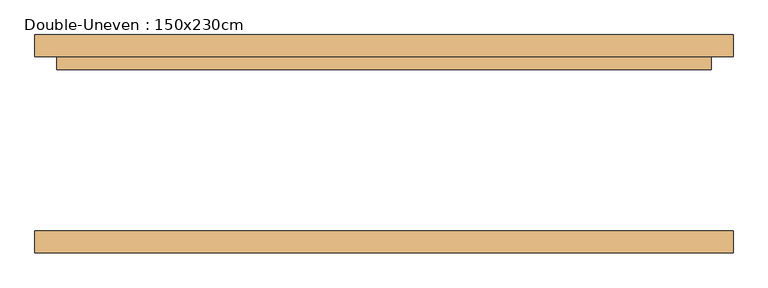
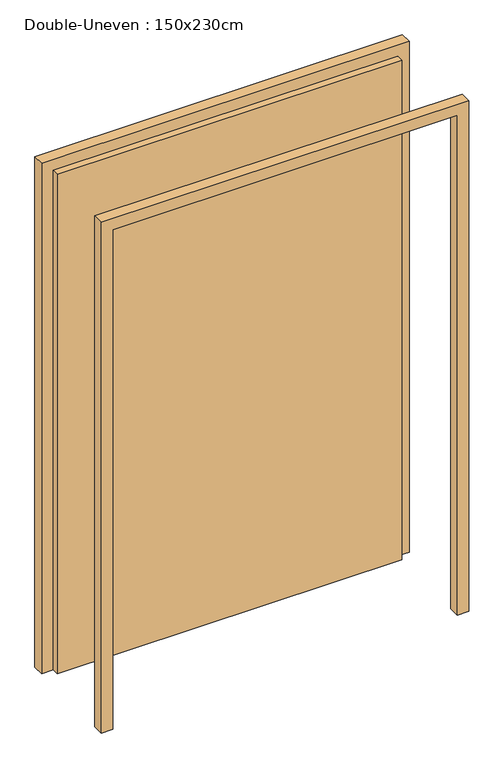
"""IFC4 building model written with IfcOpenShell, lengths in millimetres: door geometry, Double-Uneven : 150x230cm."""

from ifc_helpers import new_model, si_unit, frame, origin, origin_with_axes, place, context, project, spatial, polyline, outline, extrude, source, transform, mapped, element, save


def double_uneven_150x230cm_b8dc9444(model_context):
    return source(origin(), model_context, "Body", "SweptSolid", [
        extrude(outline(polyline([(101.6, 200.0), (101.6, 170.0), (-1398.4, 170.0), (-1398.4, 200.0), (101.6, 200.0)])), origin_with_axes(), (0.0, 0.0, 1.0), 2300.0),
        extrude(outline(polyline([(2300.0, -1398.4), (2300.0, 101.6), (0.0, 101.6), (0.0, 151.6), (2350.0, 151.6), (2350.0, -1448.4), (0.0, -1448.4), (0.0, -1398.4), (2300.0, -1398.4)])), frame((0.0, -250.0, 0.0), z_axis=(0.0, 1.0, 0.0), x_axis=(0.0, 0.0, 1.0)), (0.0, 0.0, 1.0), 50.0),
        extrude(outline(polyline([(2300.0, -1398.4), (2300.0, 101.6), (0.0, 101.6), (0.0, 151.6), (2350.0, 151.6), (2350.0, -1448.4), (0.0, -1448.4), (0.0, -1398.4), (2300.0, -1398.4)])), frame((0.0, 200.0, 0.0), z_axis=(0.0, 1.0, 0.0), x_axis=(0.0, 0.0, 1.0)), (0.0, 0.0, 1.0), 50.0),
    ])


if __name__ == "__main__":
    model = new_model("IFC4")
    model_context = context("Model", 3, world=origin())
    ifc_project = project(units=[si_unit("LENGTHUNIT", "METRE", prefix="MILLI")], contexts=[model_context])
    site = spatial("IfcSite", under=ifc_project)
    building = spatial("IfcBuilding", under=site)
    placement = place(None, origin())
    double_uneven_150x230cm_shape = double_uneven_150x230cm_b8dc9444(model_context)
    element("IfcDoor", 1, ObjectType="Double-Uneven : 150x230cm", at=placement, inside=building, context=model_context, shape_type="MappedRepresentation", body=[
        mapped(double_uneven_150x230cm_shape, transform((0.0, 0.0, 0.0), x_axis=(1.0, 0.0, 0.0), y_axis=(0.0, 1.0, 0.0), z_axis=(0.0, 0.0, 1.0))),
    ])
    save(model, "model.ifc")
